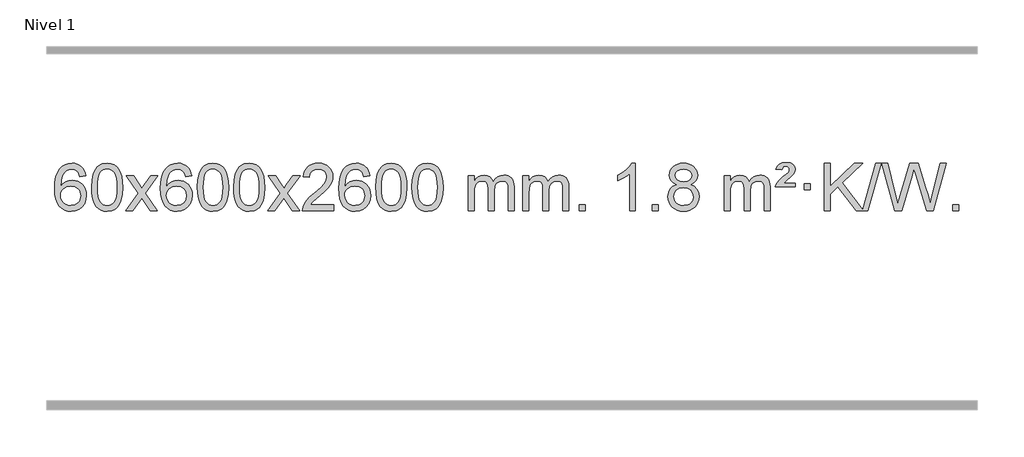
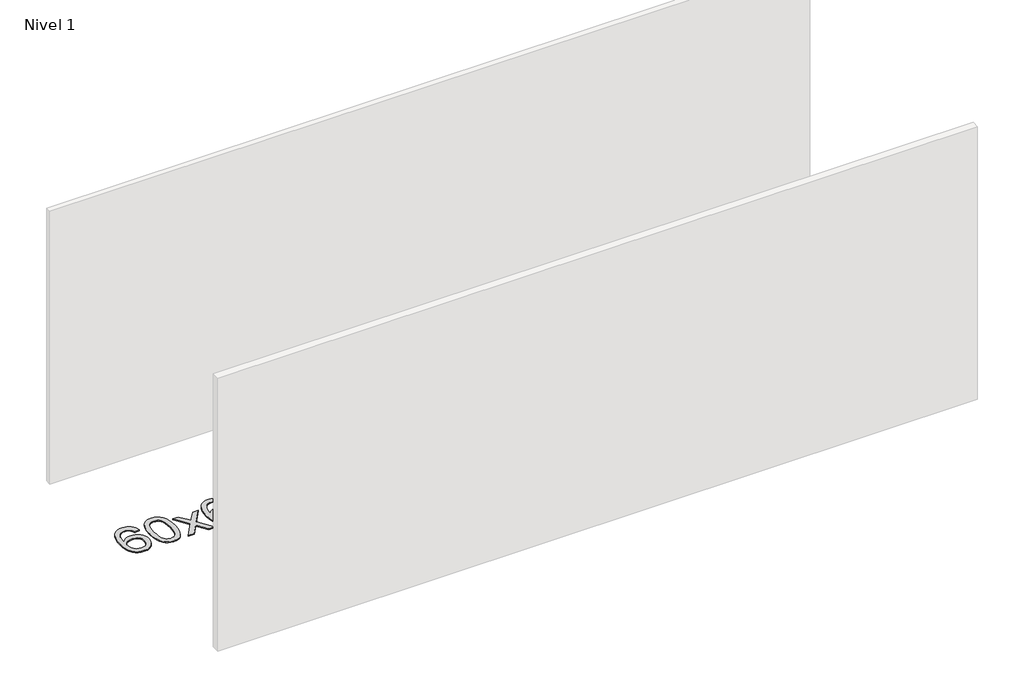
# One storey, part 9 of 12: 1 proxy.
"""IFC4 building model written with IfcOpenShell, lengths in millimetres."""

from ifc_helpers import new_model, si_unit, origin, origin_with_axes, place, context, project, spatial, polyline, outline, extrude, element, save

model = new_model("IFC4")

# Units and contexts
model_context = context("Model", 3, world=origin())
ifc_project = project(units=[si_unit("LENGTHUNIT", "METRE", prefix="MILLI")], contexts=[model_context])

# Site, building, storey
site = spatial("IfcSite", under=ifc_project)
building = spatial("IfcBuilding", under=site)
storey = spatial("IfcBuildingStorey", under=building, Name="Nivel 1", Elevation=0.0)

# Proxy
placement = place(None, origin())
element("IfcBuildingElementProxy", 1, Name="Texto de modelo 1", ObjectType="Texto de modelo 1", at=placement, inside=storey, context=model_context, shape_type="SweptSolid", body=[
    extrude(outline(polyline([(5501.2495843, -3100.4890419), (5451.0214292, -3106.7675613), (5442.9280253, -3081.874213), (5431.9896673, -3064.8780648), (5409.2055091, -3049.2062918), (5381.6634104, -3043.9823675), (5358.3151664, -3047.0235253), (5336.3403486, -3056.1469988), (5317.4680022, -3075.3627017), (5302.0537466, -3101.8134171), (5291.6426862, -3139.227016), (5287.7799252, -3191.3313693), (5307.9275958, -3167.8237098), (5332.0729174, -3151.2567573), (5358.8669894, -3141.434308), (5386.9609111, -3138.1601582), (5411.09397, -3140.398107), (5433.3630935, -3147.1119534), (5453.7682815, -3158.3016975), (5472.309534, -3173.9673391), (5487.7176582, -3193.1769106), (5498.7234613, -3214.9984443), (5505.3269431, -3239.4319401), (5507.5281037, -3266.4773982), (5503.3832999, -3302.4439945), (5490.9488884, -3335.786366), (5471.254939, -3364.0642287), (5445.331521, -3384.8372987), (5414.355857, -3397.602804), (5379.5051694, -3401.8579724), (5349.5626406, -3399.0375437), (5322.5202483, -3390.5762579), (5298.3779924, -3376.4741147), (5277.1358728, -3356.7311143), (5259.8178279, -3330.5133908), (5247.4477958, -3296.9870783), (5240.0257766, -3256.1521768), (5237.5517702, -3208.0086864), (5240.2986224, -3154.0342663), (5248.5391791, -3107.9693092), (5262.2734402, -3069.8138149), (5281.5014058, -3039.5677835), (5302.3419209, -3019.5243462), (5326.5056366, -3005.2076052), (5353.992553, -2996.6175606), (5384.8026701, -2993.7542124), (5407.9363162, -2995.5261773), (5428.8749331, -3000.8420722), (5447.6185208, -3009.7018969), (5464.1670792, -3022.1056515), (5478.0730186, -3037.6364031), (5488.8887493, -3055.8772186), (5496.6142712, -3076.8280983), (5501.2495843, -3100.4890419)]), holes=[polyline([(5287.7799252, -3265.6925832), (5290.686193, -3287.9494439), (5299.4049963, -3309.2007605), (5312.9430537, -3327.472233), (5330.3070839, -3340.7895612), (5351.2640949, -3348.9197533), (5375.5810947, -3351.6298173), (5408.7272625, -3346.0134855), (5422.642399, -3338.9930708), (5434.7855705, -3329.1644901), (5444.6356109, -3316.9262824), (5451.6713541, -3302.6769865), (5457.2999486, -3268.1451299), (5451.7449305, -3234.9989621), (5444.8011578, -3221.3781312), (5435.0798761, -3209.725469), (5422.8999164, -3200.3904634), (5408.5801097, -3193.7226022), (5373.5209556, -3188.3883133), (5340.4238387, -3193.7226022), (5312.74685, -3209.725469), (5301.8238204, -3221.2248471), (5294.0216564, -3234.3858254), (5289.340358, -3249.2084042), (5287.7799252, -3265.6925832)])]), origin_with_axes(), (0.0, 0.0, 1.0), 10.0),
    extrude(outline(polyline([(5551.4777394, -3197.9041943), (5555.1688221, -3133.5861588), (5566.2420701, -3082.2911459), (5584.5871189, -3043.2343407), (5596.4451819, -3028.0009605), (5610.0936039, -3015.6309284), (5625.5783702, -3006.0598651), (5642.9454661, -2999.2233914), (5683.3266464, -2993.7542124), (5714.277785, -2996.991574), (5741.9915619, -3006.7036586), (5765.1681276, -3022.5103217), (5782.5076323, -3044.0314184), (5795.6042314, -3071.0830078), (5806.05208, -3103.4811488), (5812.8946851, -3144.6226186), (5815.1755535, -3197.9041943), (5811.521259, -3261.8543477), (5800.5583756, -3313.0267333), (5782.3236913, -3352.1203266), (5770.4932195, -3367.3996922), (5756.8539945, -3379.8341036), (5741.3508341, -3389.4695462), (5723.928556, -3396.3520052), (5683.3266464, -3401.8579724), (5655.6619204, -3399.4667394), (5631.1364541, -3392.2930405), (5609.7502474, -3380.3368757), (5591.5033004, -3363.5982449), (5573.9921175, -3333.3399508), (5561.4841296, -3295.6381776), (5553.9793369, -3250.4929255), (5551.4777394, -3197.9041943)]), holes=[polyline([(5601.7058944, -3197.8060924), (5603.1774224, -3241.4706195), (5607.5920064, -3276.8148822), (5614.9496463, -3303.8388804), (5625.2503421, -3322.5426142), (5637.709279, -3335.2682656), (5651.5416421, -3344.3580165), (5666.7474312, -3349.8118671), (5683.3266464, -3351.6298173), (5699.9058617, -3349.8057357), (5715.1116508, -3344.3334911), (5728.9440138, -3335.2130833), (5741.4029507, -3322.4445124), (5751.7036466, -3303.7101217), (5759.0612865, -3276.6922549), (5763.4758705, -3241.3909118), (5764.9473984, -3197.8060924), (5763.5249214, -3155.2973278), (5759.2574902, -3120.5753989), (5752.145105, -3093.6403055), (5742.1877657, -3074.4920476), (5729.9372952, -3061.1440625), (5715.9455167, -3051.6097875), (5700.21243, -3045.8892225), (5682.7380352, -3043.9823675), (5666.2446591, -3045.6623619), (5651.2963874, -3050.7023452), (5637.89322, -3059.1023175), (5626.0351571, -3070.8622786), (5615.3911047, -3091.708925), (5607.7882101, -3119.8151094), (5603.2264734, -3155.1808319), (5601.7058944, -3197.8060924)])]), origin_with_axes(), (0.0, 0.0, 1.0), 10.0),
    extrude(outline(polyline([(5840.2896311, -3395.579453), (5947.6130718, -3247.2494325), (5846.5681504, -3100.4890419), (5906.9988995, -3100.4890419), (5955.7555266, -3171.122385), (5978.5151594, -3204.4770192), (5998.2336343, -3177.2047007), (6053.7592901, -3100.4890419), (6114.1900392, -3100.4890419), (6008.0438209, -3247.2494325), (6110.2659646, -3395.579453), (6049.8352155, -3395.579453), (5988.3253459, -3306.4048574), (5977.0436314, -3290.1199477), (5900.7203801, -3395.579453), (5840.2896311, -3395.579453)])), origin_with_axes(), (0.0, 0.0, 1.0), 10.0),
    extrude(outline(polyline([(6399.0778563, -3100.4890419), (6348.8497012, -3106.7675613), (6340.7562973, -3081.874213), (6329.8179393, -3064.8780648), (6307.0337811, -3049.2062918), (6279.4916824, -3043.9823675), (6256.1434384, -3047.0235253), (6234.1686206, -3056.1469988), (6215.2962742, -3075.3627017), (6199.8820186, -3101.8134171), (6189.4709581, -3139.227016), (6185.6081972, -3191.3313693), (6205.7558678, -3167.8237098), (6229.9011894, -3151.2567573), (6256.6952614, -3141.434308), (6284.7891831, -3138.1601582), (6308.922242, -3140.398107), (6331.1913654, -3147.1119534), (6351.5965534, -3158.3016975), (6370.137806, -3173.9673391), (6385.5459302, -3193.1769106), (6396.5517332, -3214.9984443), (6403.155215, -3239.4319401), (6405.3563756, -3266.4773982), (6401.2115718, -3302.4439945), (6388.7771604, -3335.786366), (6369.0832109, -3364.0642287), (6343.159793, -3384.8372987), (6312.184129, -3397.602804), (6277.3334413, -3401.8579724), (6247.3909126, -3399.0375437), (6220.3485203, -3390.5762579), (6196.2062643, -3376.4741147), (6174.9641448, -3356.7311143), (6157.6460999, -3330.5133908), (6145.2760678, -3296.9870783), (6137.8540485, -3256.1521768), (6135.3800421, -3208.0086864), (6138.1268943, -3154.0342663), (6146.367451, -3107.9693092), (6160.1017122, -3069.8138149), (6179.3296778, -3039.5677835), (6200.1701928, -3019.5243462), (6224.3339085, -3005.2076052), (6251.820825, -2996.6175606), (6282.6309421, -2993.7542124), (6305.7645882, -2995.5261773), (6326.7032051, -3000.8420722), (6345.4467927, -3009.7018969), (6361.9953511, -3022.1056515), (6375.9012906, -3037.6364031), (6386.7170212, -3055.8772186), (6394.4425431, -3076.8280983), (6399.0778563, -3100.4890419)]), holes=[polyline([(6185.6081972, -3265.6925832), (6188.514465, -3287.9494439), (6197.2332682, -3309.2007605), (6210.7713257, -3327.472233), (6228.1353558, -3340.7895612), (6249.0923668, -3348.9197533), (6273.4093667, -3351.6298173), (6306.5555345, -3346.0134855), (6320.4706709, -3338.9930708), (6332.6138425, -3329.1644901), (6342.4638829, -3316.9262824), (6349.499626, -3302.6769865), (6355.1282206, -3268.1451299), (6349.5732024, -3234.9989621), (6342.6294298, -3221.3781312), (6332.9081481, -3209.725469), (6320.7281883, -3200.3904634), (6306.4083817, -3193.7226022), (6271.3492275, -3188.3883133), (6238.2521107, -3193.7226022), (6210.5751219, -3209.725469), (6199.6520924, -3221.2248471), (6191.8499284, -3234.3858254), (6187.16863, -3249.2084042), (6185.6081972, -3265.6925832)])]), origin_with_axes(), (0.0, 0.0, 1.0), 10.0),
    extrude(outline(polyline([(6449.3060113, -3197.9041943), (6452.997094, -3133.5861588), (6464.0703421, -3082.2911459), (6482.4153909, -3043.2343407), (6494.2734539, -3028.0009605), (6507.9218759, -3015.6309284), (6523.4066422, -3006.0598651), (6540.7737381, -2999.2233914), (6581.1549184, -2993.7542124), (6612.1060569, -2996.991574), (6639.8198339, -3006.7036586), (6662.9963996, -3022.5103217), (6680.3359043, -3044.0314184), (6693.4325033, -3071.0830078), (6703.880352, -3103.4811488), (6710.7229571, -3144.6226186), (6713.0038255, -3197.9041943), (6709.349531, -3261.8543477), (6698.3866475, -3313.0267333), (6680.1519633, -3352.1203266), (6668.3214915, -3367.3996922), (6654.6822665, -3379.8341036), (6639.1791061, -3389.4695462), (6621.7568279, -3396.3520052), (6581.1549184, -3401.8579724), (6553.4901924, -3399.4667394), (6528.964726, -3392.2930405), (6507.5785194, -3380.3368757), (6489.3315724, -3363.5982449), (6471.8203894, -3333.3399508), (6459.3124016, -3295.6381776), (6451.8076089, -3250.4929255), (6449.3060113, -3197.9041943)]), holes=[polyline([(6499.5341664, -3197.8060924), (6501.0056944, -3241.4706195), (6505.4202783, -3276.8148822), (6512.7779182, -3303.8388804), (6523.0786141, -3322.5426142), (6535.537551, -3335.2682656), (6549.369914, -3344.3580165), (6564.5757032, -3349.8118671), (6581.1549184, -3351.6298173), (6597.7341337, -3349.8057357), (6612.9399228, -3344.3334911), (6626.7722858, -3335.2130833), (6639.2312227, -3322.4445124), (6649.5319186, -3303.7101217), (6656.8895585, -3276.6922549), (6661.3041424, -3241.3909118), (6662.7756704, -3197.8060924), (6661.3531934, -3155.2973278), (6657.0857622, -3120.5753989), (6649.973377, -3093.6403055), (6640.0160376, -3074.4920476), (6627.7655672, -3061.1440625), (6613.7737886, -3051.6097875), (6598.040702, -3045.8892225), (6580.5663072, -3043.9823675), (6564.0729311, -3045.6623619), (6549.1246594, -3050.7023452), (6535.721492, -3059.1023175), (6523.863429, -3070.8622786), (6513.2193766, -3091.708925), (6505.6164821, -3119.8151094), (6501.0547453, -3155.1808319), (6499.5341664, -3197.8060924)])]), origin_with_axes(), (0.0, 0.0, 1.0), 10.0),
    extrude(outline(polyline([(6756.9534612, -3197.9041943), (6760.6445439, -3133.5861588), (6771.7177919, -3082.2911459), (6790.0628407, -3043.2343407), (6801.9209037, -3028.0009605), (6815.5693257, -3015.6309284), (6831.054092, -3006.0598651), (6848.4211879, -2999.2233914), (6888.8023682, -2993.7542124), (6919.7535068, -2996.991574), (6947.4672837, -3006.7036586), (6970.6438494, -3022.5103217), (6987.9833541, -3044.0314184), (7001.0799532, -3071.0830078), (7011.5278018, -3103.4811488), (7018.3704069, -3144.6226186), (7020.6512753, -3197.9041943), (7016.9969808, -3261.8543477), (7006.0340974, -3313.0267333), (6987.7994131, -3352.1203266), (6975.9689413, -3367.3996922), (6962.3297163, -3379.8341036), (6946.8265559, -3389.4695462), (6929.4042778, -3396.3520052), (6888.8023682, -3401.8579724), (6861.1376422, -3399.4667394), (6836.6121759, -3392.2930405), (6815.2259692, -3380.3368757), (6796.9790222, -3363.5982449), (6779.4678393, -3333.3399508), (6766.9598514, -3295.6381776), (6759.4550587, -3250.4929255), (6756.9534612, -3197.9041943)]), holes=[polyline([(6807.1816162, -3197.8060924), (6808.6531442, -3241.4706195), (6813.0677282, -3276.8148822), (6820.4253681, -3303.8388804), (6830.7260639, -3322.5426142), (6843.1850008, -3335.2682656), (6857.0173639, -3344.3580165), (6872.223153, -3349.8118671), (6888.8023682, -3351.6298173), (6905.3815835, -3349.8057357), (6920.5873726, -3344.3334911), (6934.4197356, -3335.2130833), (6946.8786725, -3322.4445124), (6957.1793684, -3303.7101217), (6964.5370083, -3276.6922549), (6968.9515923, -3241.3909118), (6970.4231202, -3197.8060924), (6969.0006432, -3155.2973278), (6964.733212, -3120.5753989), (6957.6208268, -3093.6403055), (6947.6634875, -3074.4920476), (6935.413017, -3061.1440625), (6921.4212385, -3051.6097875), (6905.6881518, -3045.8892225), (6888.213757, -3043.9823675), (6871.7203809, -3045.6623619), (6856.7721092, -3050.7023452), (6843.3689418, -3059.1023175), (6831.5108789, -3070.8622786), (6820.8668265, -3091.708925), (6813.2639319, -3119.8151094), (6808.7021952, -3155.1808319), (6807.1816162, -3197.8060924)])]), origin_with_axes(), (0.0, 0.0, 1.0), 10.0),
    extrude(outline(polyline([(7045.7653528, -3395.579453), (7153.0887936, -3247.2494325), (7052.0438722, -3100.4890419), (7112.4746213, -3100.4890419), (7161.2312484, -3171.122385), (7183.9908812, -3204.4770192), (7203.7093561, -3177.2047007), (7259.2350119, -3100.4890419), (7319.665761, -3100.4890419), (7213.5195426, -3247.2494325), (7315.7416864, -3395.579453), (7255.3109373, -3395.579453), (7193.8010677, -3306.4048574), (7182.5193532, -3290.1199477), (7106.1961019, -3395.579453), (7045.7653528, -3395.579453)])), origin_with_axes(), (0.0, 0.0, 1.0), 10.0),
    extrude(outline(polyline([(7604.5535781, -3345.3512979), (7604.5535781, -3395.579453), (7340.8557639, -3395.579453), (7341.9594099, -3377.8965918), (7346.2513665, -3360.9494945), (7358.636727, -3333.8856424), (7376.7610466, -3307.6311307), (7402.9787702, -3280.1503456), (7439.6443423, -3249.4076736), (7493.845623, -3201.2641831), (7526.3663913, -3165.7267824), (7542.6267755, -3136.884834), (7548.0469036, -3108.8277005), (7542.9333439, -3083.6768347), (7527.5926647, -3062.7688747), (7504.0114288, -3048.6789943), (7474.176199, -3043.9823675), (7442.8449157, -3048.5686297), (7418.5033904, -3062.3274163), (7402.7948292, -3084.1796068), (7397.3624384, -3113.0460807), (7347.1342833, -3106.7675613), (7351.4538311, -3080.838012), (7359.3111773, -3058.1826125), (7370.7063221, -3038.8013627), (7385.6392655, -3022.6942627), (7403.7666508, -3010.0329907), (7424.7451215, -3000.989225), (7448.5746778, -2995.5629655), (7475.2553195, -2993.7542124), (7502.1750845, -2995.7653006), (7526.1333994, -3001.7985654), (7547.1302643, -3011.8540066), (7565.1656791, -3025.9316242), (7579.6510327, -3042.9890861), (7589.9977138, -3061.9840598), (7596.2057224, -3082.9165453), (7598.2750587, -3105.7865427), (7596.0432412, -3129.8092369), (7589.3477889, -3153.4149983), (7577.4652005, -3177.4254299), (7559.6719746, -3202.6621347), (7531.3082728, -3232.7916701), (7487.7142564, -3271.4805933), (7429.9322577, -3319.795762), (7407.2707268, -3345.3512979), (7604.5535781, -3345.3512979)])), origin_with_axes(), (0.0, 0.0, 1.0), 10.0),
    extrude(outline(polyline([(7912.2010279, -3100.4890419), (7861.9728728, -3106.7675613), (7853.8794689, -3081.874213), (7842.9411109, -3064.8780648), (7820.1569527, -3049.2062918), (7792.614854, -3043.9823675), (7769.26661, -3047.0235253), (7747.2917922, -3056.1469988), (7728.4194458, -3075.3627017), (7713.0051902, -3101.8134171), (7702.5941298, -3139.227016), (7698.7313688, -3191.3313693), (7718.8790394, -3167.8237098), (7743.024361, -3151.2567573), (7769.818433, -3141.434308), (7797.9123547, -3138.1601582), (7822.0454136, -3140.398107), (7844.314537, -3147.1119534), (7864.719725, -3158.3016975), (7883.2609776, -3173.9673391), (7898.6691018, -3193.1769106), (7909.6749049, -3214.9984443), (7916.2783867, -3239.4319401), (7918.4795473, -3266.4773982), (7914.3347435, -3302.4439945), (7901.900332, -3335.786366), (7882.2063825, -3364.0642287), (7856.2829646, -3384.8372987), (7825.3073006, -3397.602804), (7790.4566129, -3401.8579724), (7760.5140842, -3399.0375437), (7733.4716919, -3390.5762579), (7709.329436, -3376.4741147), (7688.0873164, -3356.7311143), (7670.7692715, -3330.5133908), (7658.3992394, -3296.9870783), (7650.9772202, -3256.1521768), (7648.5032137, -3208.0086864), (7651.250066, -3154.0342663), (7659.4906227, -3107.9693092), (7673.2248838, -3069.8138149), (7692.4528494, -3039.5677835), (7713.2933645, -3019.5243462), (7737.4570802, -3005.2076052), (7764.9439966, -2996.6175606), (7795.7541137, -2993.7542124), (7818.8877598, -2995.5261773), (7839.8263767, -3000.8420722), (7858.5699644, -3009.7018969), (7875.1185228, -3022.1056515), (7889.0244622, -3037.6364031), (7899.8401928, -3055.8772186), (7907.5657147, -3076.8280983), (7912.2010279, -3100.4890419)]), holes=[polyline([(7698.7313688, -3265.6925832), (7701.6376366, -3287.9494439), (7710.3564399, -3309.2007605), (7723.8944973, -3327.472233), (7741.2585275, -3340.7895612), (7762.2155385, -3348.9197533), (7786.5325383, -3351.6298173), (7819.6787061, -3346.0134855), (7833.5938426, -3338.9930708), (7845.7370141, -3329.1644901), (7855.5870545, -3316.9262824), (7862.6227977, -3302.6769865), (7868.2513922, -3268.1451299), (7862.6963741, -3234.9989621), (7855.7526014, -3221.3781312), (7846.0313197, -3209.725469), (7833.85136, -3200.3904634), (7819.5315533, -3193.7226022), (7784.4723992, -3188.3883133), (7751.3752823, -3193.7226022), (7723.6982936, -3209.725469), (7712.775264, -3221.2248471), (7704.9731, -3234.3858254), (7700.2918016, -3249.2084042), (7698.7313688, -3265.6925832)])]), origin_with_axes(), (0.0, 0.0, 1.0), 10.0),
    extrude(outline(polyline([(7962.429183, -3197.9041943), (7966.1202656, -3133.5861588), (7977.1935137, -3082.2911459), (7995.5385625, -3043.2343407), (8007.3966255, -3028.0009605), (8021.0450475, -3015.6309284), (8036.5298138, -3006.0598651), (8053.8969097, -2999.2233914), (8094.27809, -2993.7542124), (8125.2292286, -2996.991574), (8152.9430055, -3006.7036586), (8176.1195712, -3022.5103217), (8193.4590759, -3044.0314184), (8206.555675, -3071.0830078), (8217.0035236, -3103.4811488), (8223.8461287, -3144.6226186), (8226.1269971, -3197.9041943), (8222.4727026, -3261.8543477), (8211.5098192, -3313.0267333), (8193.2751349, -3352.1203266), (8181.4446631, -3367.3996922), (8167.8054381, -3379.8341036), (8152.3022777, -3389.4695462), (8134.8799996, -3396.3520052), (8094.27809, -3401.8579724), (8066.613364, -3399.4667394), (8042.0878976, -3392.2930405), (8020.701691, -3380.3368757), (8002.454744, -3363.5982449), (7984.9435611, -3333.3399508), (7972.4355732, -3295.6381776), (7964.9307805, -3250.4929255), (7962.429183, -3197.9041943)]), holes=[polyline([(8012.657338, -3197.8060924), (8014.128866, -3241.4706195), (8018.54345, -3276.8148822), (8025.9010899, -3303.8388804), (8036.2017857, -3322.5426142), (8048.6607226, -3335.2682656), (8062.4930856, -3344.3580165), (8077.6988748, -3349.8118671), (8094.27809, -3351.6298173), (8110.8573053, -3349.8057357), (8126.0630944, -3344.3334911), (8139.8954574, -3335.2130833), (8152.3543943, -3322.4445124), (8162.6550902, -3303.7101217), (8170.0127301, -3276.6922549), (8174.427314, -3241.3909118), (8175.898842, -3197.8060924), (8174.476365, -3155.2973278), (8170.2089338, -3120.5753989), (8163.0965486, -3093.6403055), (8153.1392093, -3074.4920476), (8140.8887388, -3061.1440625), (8126.8969603, -3051.6097875), (8111.1638736, -3045.8892225), (8093.6894788, -3043.9823675), (8077.1961027, -3045.6623619), (8062.247831, -3050.7023452), (8048.8446636, -3059.1023175), (8036.9866007, -3070.8622786), (8026.3425483, -3091.708925), (8018.7396537, -3119.8151094), (8014.1779169, -3155.1808319), (8012.657338, -3197.8060924)])]), origin_with_axes(), (0.0, 0.0, 1.0), 10.0),
    extrude(outline(polyline([(8270.0766328, -3197.9041943), (8273.7677155, -3133.5861588), (8284.8409635, -3082.2911459), (8303.1860124, -3043.2343407), (8315.0440753, -3028.0009605), (8328.6924974, -3015.6309284), (8344.1772637, -3006.0598651), (8361.5443595, -2999.2233914), (8401.9255399, -2993.7542124), (8432.8766784, -2996.991574), (8460.5904554, -3006.7036586), (8483.7670211, -3022.5103217), (8501.1065258, -3044.0314184), (8514.2031248, -3071.0830078), (8524.6509735, -3103.4811488), (8531.4935786, -3144.6226186), (8533.7744469, -3197.9041943), (8530.1201525, -3261.8543477), (8519.157269, -3313.0267333), (8500.9225848, -3352.1203266), (8489.0921129, -3367.3996922), (8475.452888, -3379.8341036), (8459.9497276, -3389.4695462), (8442.5274494, -3396.3520052), (8401.9255399, -3401.8579724), (8374.2608138, -3399.4667394), (8349.7353475, -3392.2930405), (8328.3491408, -3380.3368757), (8310.1021939, -3363.5982449), (8292.5910109, -3333.3399508), (8280.0830231, -3295.6381776), (8272.5782304, -3250.4929255), (8270.0766328, -3197.9041943)]), holes=[polyline([(8320.3047879, -3197.8060924), (8321.7763158, -3241.4706195), (8326.1908998, -3276.8148822), (8333.5485397, -3303.8388804), (8343.8492356, -3322.5426142), (8356.3081725, -3335.2682656), (8370.1405355, -3344.3580165), (8385.3463246, -3349.8118671), (8401.9255399, -3351.6298173), (8418.5047551, -3349.8057357), (8433.7105442, -3344.3334911), (8447.5429073, -3335.2130833), (8460.0018442, -3322.4445124), (8470.30254, -3303.7101217), (8477.6601799, -3276.6922549), (8482.0747639, -3241.3909118), (8483.5462919, -3197.8060924), (8482.1238148, -3155.2973278), (8477.8563837, -3120.5753989), (8470.7439984, -3093.6403055), (8460.7866591, -3074.4920476), (8448.5361887, -3061.1440625), (8434.5444101, -3051.6097875), (8418.8113234, -3045.8892225), (8401.3369287, -3043.9823675), (8384.8435526, -3045.6623619), (8369.8952808, -3050.7023452), (8356.4921135, -3059.1023175), (8344.6340505, -3070.8622786), (8333.9899981, -3091.708925), (8326.3871035, -3119.8151094), (8321.8253668, -3155.1808319), (8320.3047879, -3197.8060924)])]), origin_with_axes(), (0.0, 0.0, 1.0), 10.0),
    extrude(outline(polyline([(8747.244106, -3395.579453), (8747.244106, -3100.4890419), (8797.4722611, -3100.4890419), (8797.4722611, -3149.0494653), (8812.5799483, -3126.7435537), (8832.0041177, -3109.2691589), (8855.0825815, -3097.9751816), (8881.1531522, -3094.2105225), (8909.0876584, -3098.048758), (8931.4794092, -3109.5634645), (8948.2057772, -3127.9943524), (8959.1441352, -3152.5811324), (8977.4523959, -3127.0439906), (8998.3358304, -3108.803175), (9021.794439, -3097.8586857), (9047.8282215, -3094.2105225), (9067.9360383, -3095.7280358), (9085.585177, -3100.2805755), (9100.7756377, -3107.8681416), (9113.5074204, -3118.4907342), (9123.5720587, -3132.2709806), (9130.761086, -3149.3315082), (9135.0745024, -3169.6723168), (9136.5123078, -3193.2934066), (9136.5123078, -3395.579453), (9086.2841528, -3395.579453), (9086.2841528, -3214.875817), (9085.1191931, -3189.8230531), (9081.6243142, -3172.9372695), (9075.0760146, -3161.3735121), (9064.7507933, -3152.2868268), (9051.4702533, -3146.4007149), (9036.0559977, -3144.4386776), (9008.8449928, -3149.4663982), (8986.6617085, -3164.54956), (8978.0563355, -3176.1194488), (8971.9096405, -3190.7182326), (8966.9922845, -3229.0024856), (8966.9922845, -3395.579453), (8916.7641294, -3395.579453), (8916.7641294, -3209.2840106), (8913.8578616, -3180.8835206), (8905.1390583, -3160.6254854), (8889.7983791, -3148.4853796), (8867.0264836, -3144.4386776), (8847.6758907, -3147.1364789), (8829.8458767, -3155.2298828), (8815.1305968, -3168.5226856), (8805.1242066, -3186.8186835), (8799.3852475, -3212.2025411), (8797.4722611, -3246.7589232), (8797.4722611, -3395.579453), (8747.244106, -3395.579453)])), origin_with_axes(), (0.0, 0.0, 1.0), 10.0),
    extrude(outline(polyline([(9211.8545404, -3395.579453), (9211.8545404, -3100.4890419), (9262.0826955, -3100.4890419), (9262.0826955, -3149.0494653), (9277.1903828, -3126.7435537), (9296.6145521, -3109.2691589), (9319.693016, -3097.9751816), (9345.7635867, -3094.2105225), (9373.6980929, -3098.048758), (9396.0898436, -3109.5634645), (9412.8162117, -3127.9943524), (9423.7545697, -3152.5811324), (9442.0628303, -3127.0439906), (9462.9462649, -3108.803175), (9486.4048734, -3097.8586857), (9512.438656, -3094.2105225), (9532.5464727, -3095.7280358), (9550.1956114, -3100.2805755), (9565.3860721, -3107.8681416), (9578.1178548, -3118.4907342), (9588.1824931, -3132.2709806), (9595.3715204, -3149.3315082), (9599.6849368, -3169.6723168), (9601.1227423, -3193.2934066), (9601.1227423, -3395.579453), (9550.8945872, -3395.579453), (9550.8945872, -3214.875817), (9549.7296276, -3189.8230531), (9546.2347486, -3172.9372695), (9539.6864491, -3161.3735121), (9529.3612278, -3152.2868268), (9516.0806877, -3146.4007149), (9500.6664321, -3144.4386776), (9473.4554272, -3149.4663982), (9451.2721429, -3164.54956), (9442.6667699, -3176.1194488), (9436.5200749, -3190.7182326), (9431.6027189, -3229.0024856), (9431.6027189, -3395.579453), (9381.3745638, -3395.579453), (9381.3745638, -3209.2840106), (9378.4682961, -3180.8835206), (9369.7494928, -3160.6254854), (9354.4088136, -3148.4853796), (9331.6369181, -3144.4386776), (9312.2863251, -3147.1364789), (9294.4563111, -3155.2298828), (9279.7410313, -3168.5226856), (9269.734641, -3186.8186835), (9263.9956819, -3212.2025411), (9262.0826955, -3246.7589232), (9262.0826955, -3395.579453), (9211.8545404, -3395.579453)])), origin_with_axes(), (0.0, 0.0, 1.0), 10.0),
    extrude(outline(polyline([(9689.0220137, -3395.579453), (9689.0220137, -3345.3512979), (9739.2501687, -3345.3512979), (9739.2501687, -3395.579453), (9689.0220137, -3395.579453)])), origin_with_axes(), (0.0, 0.0, 1.0), 10.0),
    extrude(outline(polyline([(10166.1894869, -3395.579453), (10115.9613318, -3395.579453), (10115.9613318, -3082.4382987), (10094.9920581, -3099.3976587), (10068.3819271, -3116.3324932), (10015.5050216, -3141.6918254), (10015.5050216, -3094.2105225), (10054.9542343, -3072.7507395), (10089.1304716, -3047.219729), (10116.0716964, -3020.0700378), (10133.8158713, -2993.7542124), (10166.1894869, -2993.7542124), (10166.1894869, -3395.579453)])), origin_with_axes(), (0.0, 0.0, 1.0), 10.0),
    extrude(outline(polyline([(10310.5954327, -3395.579453), (10310.5954327, -3345.3512979), (10360.8235878, -3345.3512979), (10360.8235878, -3395.579453), (10310.5954327, -3395.579453)])), origin_with_axes(), (0.0, 0.0, 1.0), 10.0),
    extrude(outline(polyline([(10515.6283314, -3174.2616447), (10488.7361575, -3161.0178929), (10469.8638112, -3143.0652515), (10458.7169867, -3120.7716026), (10455.0013785, -3094.5048281), (10457.0247295, -3074.0199324), (10463.0947824, -3055.2395565), (10473.2115373, -3038.1637006), (10487.3749941, -3022.7923645), (10504.9045712, -3010.088173), (10525.1196868, -3001.0137504), (10548.020341, -2995.5690969), (10573.6065338, -2993.7542124), (10599.3153539, -2995.6120165), (10622.3876864, -3001.1854287), (10642.8235312, -3010.4744491), (10660.6228884, -3023.4790776), (10675.0438626, -3039.1508506), (10685.3445585, -3056.4413044), (10691.524976, -3075.3504389), (10693.5851152, -3095.8782543), (10689.9185579, -3121.2989001), (10678.9188863, -3143.2124043), (10660.4634729, -3161.0546811), (10634.4296903, -3174.2616447), (10665.3440407, -3190.1909351), (10687.846156, -3213.6495436), (10701.5681544, -3243.5092989), (10706.1421539, -3278.6420295), (10703.8735483, -3303.6947933), (10697.0677314, -3326.6628926), (10685.7247032, -3347.5463272), (10669.8444637, -3366.3450971), (10650.2608789, -3381.88198), (10627.8078144, -3392.9797536), (10602.4852704, -3399.6384177), (10574.2932469, -3401.8579724), (10546.1012233, -3399.6292206), (10520.7786793, -3392.9429654), (10498.3256148, -3381.7992066), (10478.74203, -3366.1979443), (10462.8617905, -3347.26735), (10451.5187623, -3326.135595), (10444.7129454, -3302.8026795), (10442.4443398, -3277.2686033), (10447.2022803, -3240.7747094), (10461.4761017, -3210.7555386), (10484.53004, -3188.2411605), (10515.6283314, -3174.2616447)]), holes=[polyline([(10492.6724949, -3275.5027698), (10494.7694222, -3294.7184726), (10501.0602043, -3313.3210389), (10512.6730127, -3329.5446349), (10530.7360186, -3341.623427), (10552.3674799, -3349.1282197), (10574.6856543, -3351.6298173), (10608.8741544, -3346.3691048), (10622.7678311, -3339.7932141), (10634.5277922, -3330.5869672), (10650.5674472, -3306.6869002), (10655.9139988, -3277.0723996), (10650.3957689, -3246.9551269), (10633.8410791, -3222.5277625), (10621.762287, -3213.0854579), (10607.5988301, -3206.3409547), (10573.0179226, -3200.9453521), (10539.3076691, -3206.2673783), (10525.5703423, -3212.919911), (10513.9115487, -3222.2334569), (10497.9822583, -3246.1948375), (10492.6724949, -3275.5027698)]), polyline([(10505.2295336, -3095.9763561), (10509.6809058, -3117.902123), (10523.0350222, -3135.413306), (10544.8994754, -3146.8912243), (10574.881858, -3150.717197), (10604.1652649, -3146.9157497), (10625.6986243, -3135.5114079), (10638.9423761, -3118.5888361), (10643.3569601, -3098.232699), (10638.7952233, -3077.1040098), (10625.1100131, -3059.629615), (10603.2823481, -3047.8941794), (10574.2932469, -3043.9823675), (10545.1202046, -3047.8083402), (10523.3293278, -3059.2862585), (10509.7544822, -3076.1107284), (10505.2295336, -3095.9763561)])]), origin_with_axes(), (0.0, 0.0, 1.0), 10.0),
    extrude(outline(polyline([(10919.611813, -3395.579453), (10919.611813, -3100.4890419), (10969.8399681, -3100.4890419), (10969.8399681, -3149.0494653), (10984.9476553, -3126.7435537), (11004.3718247, -3109.2691589), (11027.4502885, -3097.9751816), (11053.5208592, -3094.2105225), (11081.4553654, -3098.048758), (11103.8471162, -3109.5634645), (11120.5734842, -3127.9943524), (11131.5118422, -3152.5811324), (11149.8201028, -3127.0439906), (11170.7035374, -3108.803175), (11194.162146, -3097.8586857), (11220.1959285, -3094.2105225), (11240.3037452, -3095.7280358), (11257.952884, -3100.2805755), (11273.1433447, -3107.8681416), (11285.8751274, -3118.4907342), (11295.9397656, -3132.2709806), (11303.128793, -3149.3315082), (11307.4422094, -3169.6723168), (11308.8800148, -3193.2934066), (11308.8800148, -3395.579453), (11258.6518597, -3395.579453), (11258.6518597, -3214.875817), (11257.4869001, -3189.8230531), (11253.9920211, -3172.9372695), (11247.4437216, -3161.3735121), (11237.1185003, -3152.2868268), (11223.8379603, -3146.4007149), (11208.4237047, -3144.4386776), (11181.2126998, -3149.4663982), (11159.0294155, -3164.54956), (11150.4240424, -3176.1194488), (11144.2773474, -3190.7182326), (11139.3599914, -3229.0024856), (11139.3599914, -3395.579453), (11089.1318364, -3395.579453), (11089.1318364, -3209.2840106), (11086.2255686, -3180.8835206), (11077.5067653, -3160.6254854), (11062.1660861, -3148.4853796), (11039.3941906, -3144.4386776), (11020.0435977, -3147.1364789), (11002.2135836, -3155.2298828), (10987.4983038, -3168.5226856), (10977.4919136, -3186.8186835), (10971.7529544, -3212.2025411), (10969.8399681, -3246.7589232), (10969.8399681, -3395.579453), (10919.611813, -3395.579453)])), origin_with_axes(), (0.0, 0.0, 1.0), 10.0),
    extrude(outline(polyline([(11352.8296505, -3194.6668327), (11356.6556233, -3178.8479069), (11364.9942818, -3162.9799302), (11386.5031158, -3137.8413272), (11418.4597984, -3110.1030247), (11462.6056379, -3072.726214), (11469.7425486, -3061.1992448), (11472.1215188, -3049.3779701), (11470.2330579, -3037.2869152), (11464.5676752, -3027.5012541), (11455.198947, -3021.026531), (11442.2004499, -3018.8682899), (11429.7660384, -3020.4869707), (11420.9123451, -3025.343013), (11414.4866729, -3034.8098431), (11409.336325, -3050.2608869), (11359.1081699, -3043.9823675), (11369.948426, -3018.7701881), (11386.5766922, -3001.2099542), (11410.3418691, -2990.9092583), (11442.5928573, -2987.475693), (11478.3755127, -2991.6082341), (11503.1217083, -3004.0058573), (11517.5426825, -3022.3386434), (11522.3496739, -3044.2766731), (11518.253921, -3067.1834586), (11505.9666624, -3088.8149199), (11485.438847, -3108.6314968), (11448.9694786, -3136.6886303), (11423.3648917, -3163.2742358), (11522.3496739, -3163.2742358), (11522.3496739, -3194.6668327), (11352.8296505, -3194.6668327)])), origin_with_axes(), (0.0, 0.0, 1.0), 10.0),
    extrude(outline(polyline([(11597.6919065, -3219.7809102), (11597.6919065, -3169.5527552), (11647.9200616, -3169.5527552), (11647.9200616, -3219.7809102), (11597.6919065, -3219.7809102)])), origin_with_axes(), (0.0, 0.0, 1.0), 10.0),
    extrude(outline(polyline([(12038.5616895, -3395.579453), (11885.1303721, -3192.9009991), (11817.440085, -3257.4520265), (11817.440085, -3395.579453), (11767.2119299, -3395.579453), (11767.2119299, -2993.7542124), (11817.440085, -2993.7542124), (11817.440085, -3190.4484525), (12023.4540023, -2993.7542124), (12093.6949379, -2993.7542124), (11920.7413492, -3158.9577537), (12095.3949591, -3389.5349332), (12206.7082868, -2993.7542124), (12252.0313486, -2993.7542124), (12139.0179997, -3395.579453), (12099.9734572, -3395.579453), (12093.6949379, -3395.579453), (12038.5616895, -3395.579453)])), origin_with_axes(), (0.0, 0.0, 1.0), 10.0),
    extrude(outline(polyline([(12366.5162255, -3395.579453), (12256.9364419, -2993.7542124), (12308.7342268, -2993.7542124), (12372.3042355, -3257.844434), (12391.9246086, -3339.3670841), (12412.9184078, -3267.2622131), (12492.5771225, -2993.7542124), (12567.2326421, -2993.7542124), (12625.1127426, -3192.0180823), (12649.9079891, -3265.5944814), (12668.1794615, -3339.3670841), (12687.2112234, -3260.1988788), (12751.3698434, -2993.7542124), (12803.1676283, -2993.7542124), (12693.4897428, -3395.579453), (12639.8280224, -3395.579453), (12543.4919906, -3085.5775584), (12530.0520351, -3042.3146358), (12514.9443478, -3094.4067263), (12427.1431783, -3395.579453), (12366.5162255, -3395.579453)])), origin_with_axes(), (0.0, 0.0, 1.0), 10.0),
    extrude(outline(polyline([(12859.6743028, -3395.579453), (12859.6743028, -3345.3512979), (12909.9024578, -3345.3512979), (12909.9024578, -3395.579453), (12859.6743028, -3395.579453)])), origin_with_axes(), (0.0, 0.0, 1.0), 10.0),
])

save(model, "model.ifc")
